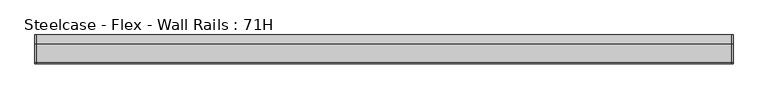
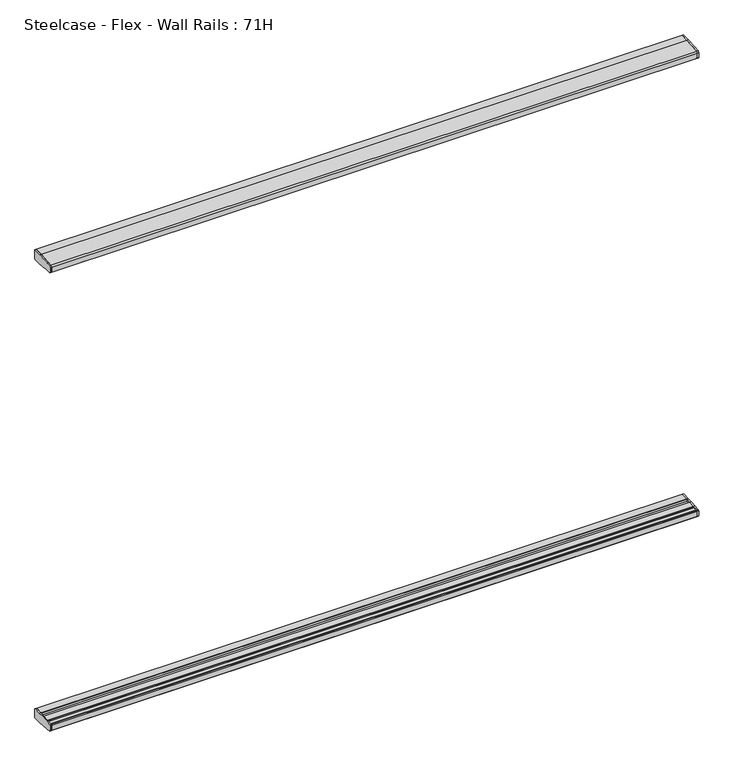
"""IFC4 building model written with IfcOpenShell, lengths in millimetres: furniture geometry, Steelcase - Flex - Wall Rails : 71H."""

from ifc_helpers import new_model, si_unit, frame, origin, place, context, project, spatial, polyline, outline, extrude, source, transform, mapped, element, save


def steelcase_flex_wall_rails_71h_25c59aa3(model_context):
    return source(origin(), model_context, "Body", "SweptSolid", [
        extrude(outline(polyline([(-29.748384, 494.399958), (-2.0015978, 494.399958), (0.0, 492.39833), (0.0, 457.2), (-31.7483991, 457.2), (-95.5653908, 462.6914284), (-99.9999601, 467.5239814), (-99.9999601, 486.7480995), (-98.0172056, 488.9021347), (-73.1435844, 490.9657693), (-50.3978144, 493.0470375), (-29.748384, 494.399958)])), frame((2433.4745712, 0.0, 0.0), z_axis=(1.0, 0.0, 0.0), x_axis=(0.0, 1.0, 0.0)), (0.0, 0.0, 1.0), 4.9857422),
        extrude(outline(polyline([(-29.748384, 2278.9875964), (-50.3978144, 2280.3405169), (-73.1435844, 2282.4217851), (-98.0172056, 2284.4854198), (-99.9999601, 2286.639455), (-99.9999601, 2305.8635731), (-95.5653908, 2310.6961261), (-31.7483991, 2316.1875545), (0.0, 2316.1875545), (0.0, 2280.9892245), (-2.0015978, 2278.9875964), (-29.748384, 2278.9875964)])), frame((2433.4745712, 0.0, 0.0), z_axis=(1.0, 0.0, 0.0), x_axis=(0.0, 1.0, 0.0)), (0.0, 0.0, 1.0), 4.9857422),
        extrude(outline(polyline([(-29.748384, 494.399958), (-2.0015978, 494.399958), (0.0, 492.39833), (0.0, 457.2), (-31.7483991, 457.2), (-95.5653908, 462.6914284), (-99.9999601, 467.5239814), (-99.9999601, 486.7480995), (-98.0172056, 488.9021347), (-73.1435844, 490.9657693), (-50.3978144, 493.0470375), (-29.748384, 494.399958)])), frame((0.0, 0.0, 0.0), z_axis=(1.0, 0.0, 0.0), x_axis=(0.0, 1.0, 0.0)), (0.0, 0.0, 1.0), 4.9857422),
        extrude(outline(polyline([(-29.748384, 2278.9875964), (-50.3978144, 2280.3405169), (-73.1435844, 2282.4217851), (-98.0172056, 2284.4854198), (-99.9999601, 2286.639455), (-99.9999601, 2305.8635731), (-95.5653908, 2310.6961261), (-31.7483991, 2316.1875545), (0.0, 2316.1875545), (0.0, 2280.9892245), (-2.0015978, 2278.9875964), (-29.748384, 2278.9875964)])), frame((0.0, 0.0, 0.0), z_axis=(1.0, 0.0, 0.0), x_axis=(0.0, 1.0, 0.0)), (0.0, 0.0, 1.0), 4.9857422),
        extrude(outline(polyline([(0.0, 492.39833), (0.0, 457.2), (-31.7483991, 457.2), (-95.5653908, 462.6914284), (-99.9999606, 467.5239822), (-99.9999598, 486.7480995), (-98.0172056, 488.9021347), (-93.9826847, 489.2368579), (-91.9999743, 487.4118187), (-91.9999735, 484.9937772), (-75.1383227, 484.9937772), (-75.1383233, 488.7986526), (-73.1435844, 490.9657693), (-50.3978144, 493.0470375), (-48.4030258, 491.016882), (-48.4030258, 484.9937772), (-31.7499758, 484.9937772), (-31.7499758, 492.398336), (-29.748384, 494.399958), (-2.0015978, 494.399958), (0.0, 492.39833)])), frame((4.9857422, 0.0, 0.0), z_axis=(1.0, 0.0, 0.0), x_axis=(0.0, 1.0, 0.0)), (0.0, 0.0, 1.0), 2428.4888291),
        extrude(outline(polyline([(0.0, 2280.9892245), (-2.0015978, 2278.9875964), (-29.748384, 2278.9875964), (-31.7499758, 2280.9892185), (-31.7499758, 2288.3937772), (-48.4030258, 2288.3937772), (-48.4030258, 2282.3706725), (-50.3978144, 2280.3405169), (-73.1435844, 2282.4217851), (-75.1383233, 2284.5889019), (-75.1383227, 2288.3937772), (-91.9999735, 2288.3937772), (-91.9999743, 2285.9757358), (-93.9826847, 2284.1506966), (-98.0172056, 2284.4854198), (-99.9999601, 2286.6394553), (-99.9999601, 2305.8635728), (-95.5653908, 2310.6961261), (-31.7483991, 2316.1875545), (0.0, 2316.1875545), (0.0, 2280.9892245)])), frame((4.9857422, 0.0, 0.0), z_axis=(1.0, 0.0, 0.0), x_axis=(0.0, 1.0, 0.0)), (0.0, 0.0, 1.0), 2428.4888291),
    ])


if __name__ == "__main__":
    model = new_model("IFC4")
    model_context = context("Model", 3, world=origin())
    ifc_project = project(units=[si_unit("LENGTHUNIT", "METRE", prefix="MILLI")], contexts=[model_context])
    site = spatial("IfcSite", under=ifc_project)
    building = spatial("IfcBuilding", under=site)
    placement = place(None, origin())
    steelcase_flex_wall_rails_71h_shape = steelcase_flex_wall_rails_71h_25c59aa3(model_context)
    element("IfcFurniture", 1, ObjectType="Steelcase - Flex - Wall Rails : 71H", at=placement, inside=building, context=model_context, shape_type="MappedRepresentation", body=[
        mapped(steelcase_flex_wall_rails_71h_shape, transform((0.0, 0.0, 0.0), x_axis=(1.0, 0.0, 0.0), y_axis=(0.0, 1.0, 0.0), z_axis=(0.0, 0.0, 1.0))),
    ])
    save(model, "model.ifc")
